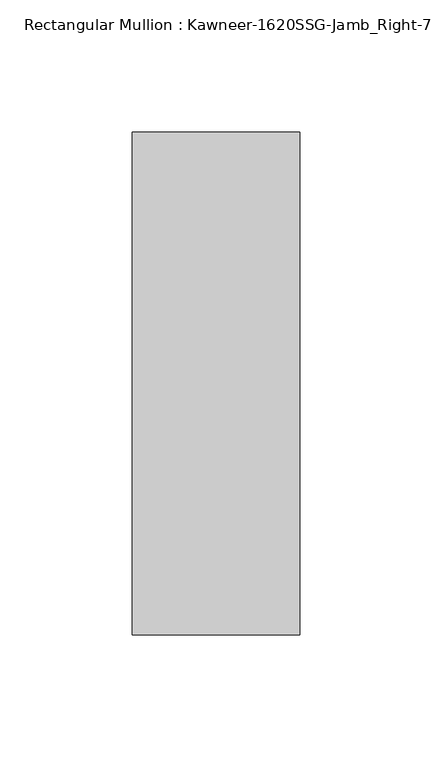
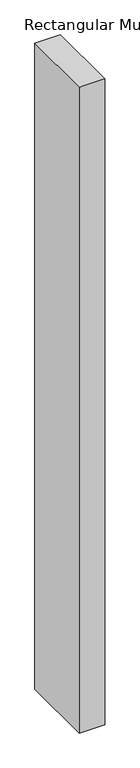
"""IFC4 building model written with IfcOpenShell, lengths in millimetres: member geometry."""

from ifc_helpers import new_model, si_unit, frame, origin, place, context, project, spatial, polyline, outline, extrude, source, transform, mapped, element, save


def member_29452f64(model_context):
    return source(origin(), model_context, "Body", "SweptSolid", [
        extrude(outline(polyline([(-22.225, 38.1), (41.275, 38.1), (41.275, -152.4), (-22.225, -152.4), (-22.225, 38.1)])), frame((0.0, 0.0, -1695.45), z_axis=(0.0, 0.0, 1.0), x_axis=(1.0, 0.0, 0.0)), (0.0, 0.0, 1.0), 1695.45),
    ])


if __name__ == "__main__":
    model = new_model("IFC4")
    model_context = context("Model", 3, world=origin())
    ifc_project = project(units=[si_unit("LENGTHUNIT", "METRE", prefix="MILLI")], contexts=[model_context])
    site = spatial("IfcSite", under=ifc_project)
    building = spatial("IfcBuilding", under=site)
    placement = place(None, origin())
    member_shape = member_29452f64(model_context)
    element("IfcMember", 1, ObjectType="Rectangular Mullion : Kawneer-1620SSG-Jamb_Right-7.5\"-1\"Infill", at=placement, inside=building, context=model_context, shape_type="MappedRepresentation", body=[
        mapped(member_shape, transform((0.0, 0.0, 0.0), x_axis=(1.0, 0.0, 0.0), y_axis=(0.0, 1.0, 0.0), z_axis=(0.0, 0.0, 1.0))),
    ])
    save(model, "model.ifc")
